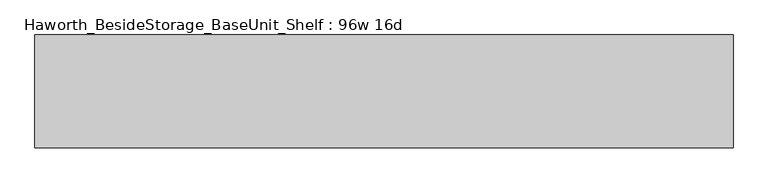
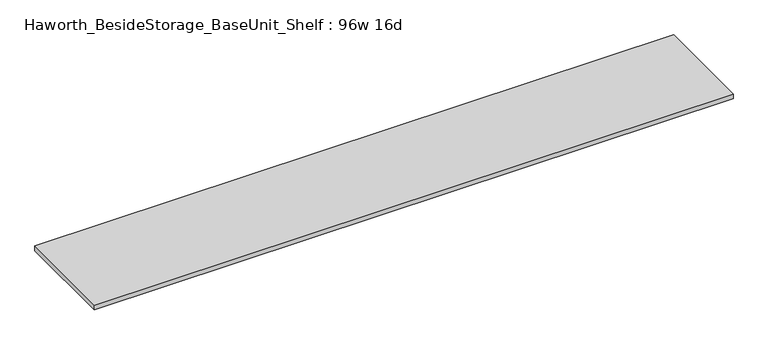
"""IFC4 building model written with IfcOpenShell, lengths in millimetres: furniture geometry, Haworth_BesideStorage_BaseUnit_Shelf : 96w 16d."""

from ifc_helpers import new_model, si_unit, frame, origin, place, context, project, spatial, polyline, outline, extrude, source, transform, mapped, element, save


def haworth_besidestorage_baseunit_shelf_96w_16d_114b6587(model_context):
    return source(origin(), model_context, "Body", "SweptSolid", [
        extrude(outline(polyline([(1219.2, 196.85), (1219.2, -196.85), (-1219.2, -196.85), (-1219.2, 196.85), (1219.2, 196.85)])), frame((0.0, 0.0, 277.8125), z_axis=(0.0, 0.0, 1.0), x_axis=(1.0, 0.0, 0.0)), (0.0, 0.0, 1.0), 19.05),
    ])


if __name__ == "__main__":
    model = new_model("IFC4")
    model_context = context("Model", 3, world=origin())
    ifc_project = project(units=[si_unit("LENGTHUNIT", "METRE", prefix="MILLI")], contexts=[model_context])
    site = spatial("IfcSite", under=ifc_project)
    building = spatial("IfcBuilding", under=site)
    placement = place(None, origin())
    haworth_besidestorage_baseunit_shelf_96w_16d_shape = haworth_besidestorage_baseunit_shelf_96w_16d_114b6587(model_context)
    element("IfcFurniture", 1, ObjectType="Haworth_BesideStorage_BaseUnit_Shelf : 96w 16d", at=placement, inside=building, context=model_context, shape_type="MappedRepresentation", body=[
        mapped(haworth_besidestorage_baseunit_shelf_96w_16d_shape, transform((0.0, 0.0, 0.0), x_axis=(1.0, 0.0, 0.0), y_axis=(0.0, 1.0, 0.0), z_axis=(0.0, 0.0, 1.0))),
    ])
    save(model, "model.ifc")
